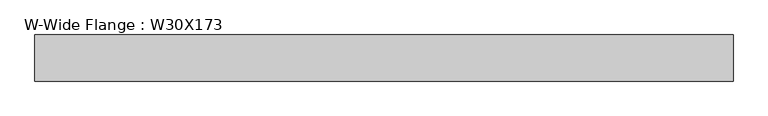
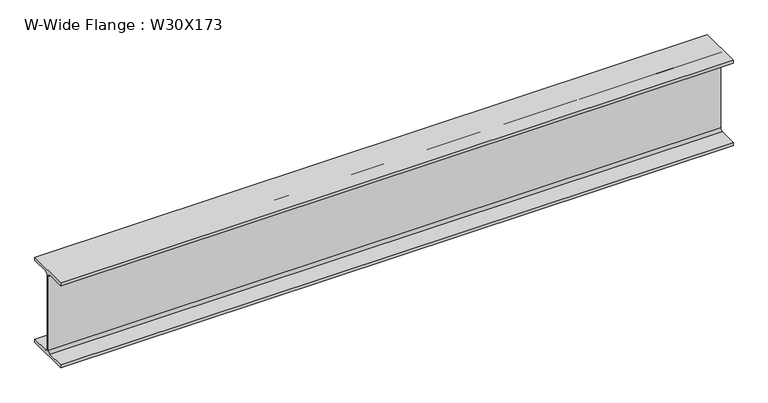
"""IFC4 building model written with IfcOpenShell, lengths in millimetres: beam geometry, W-Wide Flange : W30X173."""

from ifc_helpers import new_model, si_unit, point, frame, frame_2d, origin, place, context, project, spatial, polyline, circle_curve, trimmed, segment, composite_curve, outline, extrude, source, transform, mapped, element, save


def w_wide_flange_w30x173_a7d57ea9(model_context):
    return source(origin(), model_context, "Body", "SweptSolid", [
        extrude(outline(composite_curve([segment(polyline([(190.5, -358.902), (190.5, -386.08), (-190.5, -386.08), (-190.5, -358.902), (-31.9405, -358.902)]), True, "CONTINUOUS"), segment(trimmed(circle_curve(frame_2d((-31.9405, -335.28)), 23.622), [point((-31.9405, -358.902))], [point((-8.3185, -335.28))], True, "CARTESIAN"), True, "CONTINUOUS"), segment(polyline([(-8.3185, -335.28), (-8.3185, 335.28)]), True, "CONTINUOUS"), segment(trimmed(circle_curve(frame_2d((-31.9405, 335.28)), 23.622), [point((-8.3185, 335.28))], [point((-31.9405, 358.902))], True, "CARTESIAN"), True, "CONTINUOUS"), segment(polyline([(-31.9405, 358.902), (-190.5, 358.902), (-190.5, 386.08), (190.5, 386.08), (190.5, 358.902), (31.9405, 358.902)]), True, "CONTINUOUS"), segment(trimmed(circle_curve(frame_2d((31.9405, 335.28)), 23.622), [point((31.9405, 358.902))], [point((8.3185, 335.28))], True, "CARTESIAN"), True, "CONTINUOUS"), segment(polyline([(8.3185, 335.28), (8.3185, -335.28)]), True, "CONTINUOUS"), segment(trimmed(circle_curve(frame_2d((31.9405, -335.28)), 23.622), [point((8.3185, -335.28))], [point((31.9405, -358.902))], True, "CARTESIAN"), True, "CONTINUOUS"), segment(polyline([(31.9405, -358.902), (190.5, -358.902)]), True, "CONTINUOUS")], self_intersect=False)), frame((-2882.9, 0.0, 0.0), z_axis=(1.0, 0.0, 0.0), x_axis=(0.0, 1.0, 0.0)), (0.0, 0.0, 1.0), 5765.8),
    ])


if __name__ == "__main__":
    model = new_model("IFC4")
    model_context = context("Model", 3, world=origin())
    ifc_project = project(units=[si_unit("LENGTHUNIT", "METRE", prefix="MILLI")], contexts=[model_context])
    site = spatial("IfcSite", under=ifc_project)
    building = spatial("IfcBuilding", under=site)
    placement = place(None, origin())
    w_wide_flange_w30x173_shape = w_wide_flange_w30x173_a7d57ea9(model_context)
    element("IfcBeam", 1, ObjectType="W-Wide Flange : W30X173", at=placement, inside=building, context=model_context, shape_type="MappedRepresentation", body=[
        mapped(w_wide_flange_w30x173_shape, transform((0.0, 0.0, 0.0), x_axis=(1.0, 0.0, 0.0), y_axis=(0.0, 1.0, 0.0), z_axis=(0.0, 0.0, 1.0))),
    ])
    save(model, "model.ifc")
